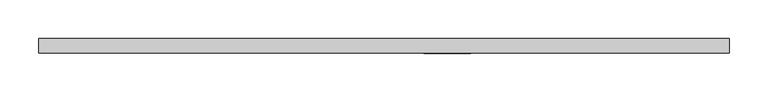
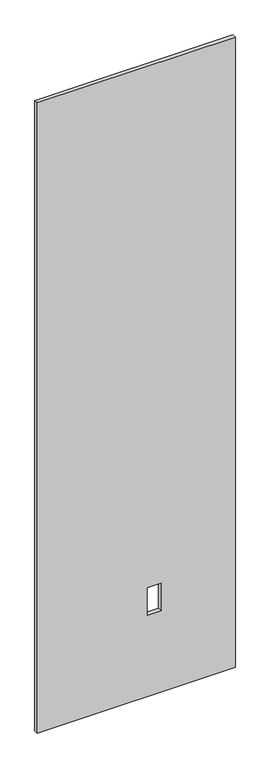
"""IFC4 building model written with IfcOpenShell, lengths in millimetres: proxy geometry."""

import ifcopenshell
import ifcopenshell.guid

model = None  # the IFC model being written
_history = None  # IfcOwnerHistory: only IFC2X3 demands one
_inside = {}  # id of a spatial element -> (the spatial element, [elements in it])
_under = {}  # id of a project, library or spatial element -> (it, [spatial elements below it])
_declared = {}  # id of a project -> (the project, [libraries it declares])
_typed = {}  # id of a type object -> (the type object, [elements of that type])
_made_of = {}  # id of a material, layer set ... -> (it, [elements and type objects made of it])


def new_model(schema):
    """Start an empty IFC model of exactly this schema.

    Asked for "IFC4X3", IfcOpenShell would pick the latest addendum, in which some entities
    have other attributes; the version numbers below select the first issue.
    IFC2X3 requires an IfcOwnerHistory on every rooted entity: one is made here for all.
    """
    global model, _history
    if schema == "IFC4X3":
        model = ifcopenshell.file(schema_version=(4, 3, 0, 0))
    else:
        model = ifcopenshell.file(schema=schema)
    _inside.clear()
    _under.clear()
    _declared.clear()
    _typed.clear()
    _made_of.clear()
    _history = None
    if model.schema == "IFC2X3":
        org = make("IfcOrganization", Name="unknown")
        user = make(
            "IfcPersonAndOrganization",
            ThePerson=make("IfcPerson", FamilyName="unknown"),
            TheOrganization=org,
        )
        app = make(
            "IfcApplication",
            ApplicationDeveloper=org,
            Version="unknown",
            ApplicationFullName="unknown",
            ApplicationIdentifier="unknown",
        )
        _history = make(
            "IfcOwnerHistory",
            OwningUser=user,
            OwningApplication=app,
            ChangeAction="ADDED",
            CreationDate=0,
        )
    return model


def make(cls, **values):
    """One entity of the class cls with the attributes given. An attribute that is None is left unset."""
    return model.create_entity(
        cls, **{name: value for name, value in values.items() if value is not None}
    )


def rooted(cls, **values):
    """An entity with a GlobalId (a new one), such as an element, a storey or a relation."""
    return make(cls, GlobalId=ifcopenshell.guid.new(), OwnerHistory=_history, **values)


def si_unit(unit_type, name, prefix=None):
    """IfcSIUnit, for example si_unit("LENGTHUNIT", "METRE", prefix="MILLI")."""
    return make("IfcSIUnit", UnitType=unit_type, Prefix=prefix, Name=name)


def assignment(units):
    """IfcUnitAssignment: the units of a project."""
    return None if units is None else make("IfcUnitAssignment", Units=units)


def point(xyz):
    """IfcCartesianPoint."""
    return None if xyz is None else make("IfcCartesianPoint", Coordinates=xyz)


def direction(xyz):
    """IfcDirection."""
    return None if xyz is None else make("IfcDirection", DirectionRatios=xyz)


def frame(location, z_axis=None, x_axis=None):
    """IfcAxis2Placement3D, a coordinate frame: its origin and axes. An axis left out is left unset."""
    return make(
        "IfcAxis2Placement3D",
        Location=point(location),
        Axis=direction(z_axis),
        RefDirection=direction(x_axis),
    )


def origin():
    """The frame at (0, 0, 0) with its axes left unset."""
    return frame((0.0, 0.0, 0.0))


def place(relative_to, where):
    """IfcLocalPlacement: puts the frame where relative to a parent placement (None: the world)."""
    return make(
        "IfcLocalPlacement", PlacementRelTo=relative_to, RelativePlacement=where
    )


def context(
    kind, dimensions, precision=None, world=None, true_north=None, identifier=None
):
    """IfcGeometricRepresentationContext, for example the 3D "Model" context."""
    return make(
        "IfcGeometricRepresentationContext",
        ContextIdentifier=identifier,
        ContextType=kind,
        CoordinateSpaceDimension=dimensions,
        Precision=precision,
        WorldCoordinateSystem=world,
        TrueNorth=true_north,
    )


def project(units=None, contexts=None):
    """IfcProject with its units and contexts."""
    return rooted(
        "IfcProject",
        Name="project",
        RepresentationContexts=contexts,
        UnitsInContext=assignment(units),
    )


def spatial(cls, under=None, at=None, **own):
    """A site, building, storey or space (cls), placed at a placement, below another one or the project."""
    s = rooted(cls, ObjectPlacement=at, **own)
    if under is not None:
        _under.setdefault(under.id(), (under, []))[1].append(s)
    return s


def polyline(points):
    """IfcPolyline through the points."""
    return make("IfcPolyline", Points=[point(p) for p in points])


def outline(outer, holes=None, kind="AREA"):
    """IfcArbitraryClosedProfileDef: a profile drawn as a closed curve; with holes, ...WithVoids."""
    if holes is None:
        return make("IfcArbitraryClosedProfileDef", ProfileType=kind, OuterCurve=outer)
    return make(
        "IfcArbitraryProfileDefWithVoids",
        ProfileType=kind,
        OuterCurve=outer,
        InnerCurves=holes,
    )


def extrude(swept, where, along, depth):
    """IfcExtrudedAreaSolid: the profile swept, set in the frame where, extruded along a direction by depth."""
    return make(
        "IfcExtrudedAreaSolid",
        SweptArea=swept,
        Position=where,
        ExtrudedDirection=direction(along),
        Depth=depth,
    )


def shape(context_of_items, identifier, shape_type, items):
    """IfcShapeRepresentation: the items that make up one representation, for example the "Body"."""
    return make(
        "IfcShapeRepresentation",
        ContextOfItems=context_of_items,
        RepresentationIdentifier=identifier,
        RepresentationType=shape_type,
        Items=items,
    )


def source(mapping_origin, context_of_items, identifier, shape_type, items):
    """IfcRepresentationMap: a shape defined once, which mapped items show again and again."""
    return make(
        "IfcRepresentationMap",
        MappingOrigin=mapping_origin,
        MappedRepresentation=shape(context_of_items, identifier, shape_type, items),
    )


def transform(
    local_origin,
    x_axis=None,
    y_axis=None,
    z_axis=None,
    scale=None,
    scale2=None,
    scale3=None,
    uniform=True,
):
    """IfcCartesianTransformationOperator3D, or its non-uniform kind. x_axis, y_axis, z_axis: its Axis1, 2, 3."""
    if uniform:
        return make(
            "IfcCartesianTransformationOperator3D",
            Axis1=direction(x_axis),
            Axis2=direction(y_axis),
            LocalOrigin=point(local_origin),
            Scale=scale,
            Axis3=direction(z_axis),
        )
    return make(
        "IfcCartesianTransformationOperator3DnonUniform",
        Axis1=direction(x_axis),
        Axis2=direction(y_axis),
        LocalOrigin=point(local_origin),
        Scale=scale,
        Axis3=direction(z_axis),
        Scale2=scale2,
        Scale3=scale3,
    )


def mapped(mapping_source, mapping_target):
    """IfcMappedItem: shows the shape of a source again, moved by a transform."""
    return make(
        "IfcMappedItem", MappingSource=mapping_source, MappingTarget=mapping_target
    )


def made_of(thing, what):
    """Note that an element or type object is made of a material, layer set ...; save() writes the relation."""
    if what is not None:
        _made_of.setdefault(what.id(), (what, []))[1].append(thing)
    return thing


def element(
    cls,
    number,
    at=None,
    inside=None,
    cuts=None,
    type_object=None,
    material=None,
    context=None,
    identifier="Body",
    shape_type=None,
    held_by="IfcProductDefinitionShape",
    body=None,
    shapes=None,
    **own,
):
    """One element of the class cls, such as IfcWall. Its Tag is "e" and its number.

    at: its placement. inside: the storey or other place that contains it. cuts: it is an
    opening in that element (IfcRelVoidsElement). A single representation is given by context,
    identifier, shape_type and body (its items); several are given by shapes. held_by: the class
    of the entity that holds the representations. save() writes the other relations.
    """
    e = rooted(cls, Tag="e%d" % number, ObjectPlacement=at, **own)
    if body is not None:
        shapes = [shape(context, identifier, shape_type, body)]
    if shapes is not None:
        e.Representation = make(held_by, Representations=shapes)
    if inside is not None:
        _inside.setdefault(inside.id(), (inside, []))[1].append(e)
    if cuts is not None:
        rooted(
            "IfcRelVoidsElement", RelatingBuildingElement=cuts, RelatedOpeningElement=e
        )
    if type_object is not None:
        _typed.setdefault(type_object.id(), (type_object, []))[1].append(e)
    return made_of(e, material)


def aggregate(whole, parts):
    """IfcRelAggregates: a whole, such as a stair, and the parts it consists of."""
    return rooted("IfcRelAggregates", RelatingObject=whole, RelatedObjects=parts)


def save(model, path):
    """Write the relations noted so far, then the file.

    IfcRelAggregates (storeys below a building ...), IfcRelContainedInSpatialStructure (elements
    in a storey), IfcRelDefinesByType, IfcRelAssociatesMaterial and IfcRelDeclares: one each for
    every whole, place, type object, material and project.
    """
    for whole, parts in _under.values():
        aggregate(whole, parts)
    for where, things in _inside.values():
        rooted(
            "IfcRelContainedInSpatialStructure",
            RelatedElements=things,
            RelatingStructure=where,
        )
    for kind, things in _typed.values():
        rooted("IfcRelDefinesByType", RelatedObjects=things, RelatingType=kind)
    for what, things in _made_of.values():
        rooted("IfcRelAssociatesMaterial", RelatedObjects=things, RelatingMaterial=what)
    for by, libraries in _declared.values():
        rooted("IfcRelDeclares", RelatingContext=by, RelatedDefinitions=libraries)
    model.write(path)


def specialty_equipment_d20a828c(model_context):
    return source(origin(), model_context, "Body", "SweptSolid", [
        extrude(outline(polyline([(3016.25, 448.1315163), (3016.25, -448.1315163), (3.175, -448.1315163), (3.175, 448.1315163), (3016.25, 448.1315163)]), holes=[polyline([(522.478, 112.8268), (391.922, 112.8268), (391.922, 51.3588), (522.478, 51.3588), (522.478, 112.8268)])]), frame((0.0, -9.525, 0.0), z_axis=(0.0, 1.0, 0.0), x_axis=(0.0, 0.0, 1.0)), (0.0, 0.0, 1.0), 19.05),
    ])


if __name__ == "__main__":
    model = new_model("IFC4")
    model_context = context("Model", 3, world=origin())
    ifc_project = project(units=[si_unit("LENGTHUNIT", "METRE", prefix="MILLI")], contexts=[model_context])
    site = spatial("IfcSite", under=ifc_project)
    building = spatial("IfcBuilding", under=site)
    placement = place(None, origin())
    specialty_equipment_shape = specialty_equipment_d20a828c(model_context)
    element("IfcBuildingElementProxy", 1, Name="Specialty Equipment", at=placement, inside=building, context=model_context, shape_type="MappedRepresentation", body=[
        mapped(specialty_equipment_shape, transform((0.0, 0.0, 0.0), x_axis=(1.0, 0.0, 0.0), y_axis=(0.0, 1.0, 0.0), z_axis=(0.0, 0.0, 1.0))),
    ])
    save(model, "model.ifc")
